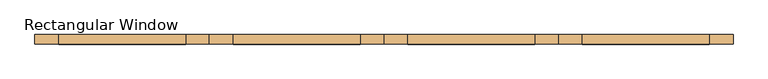
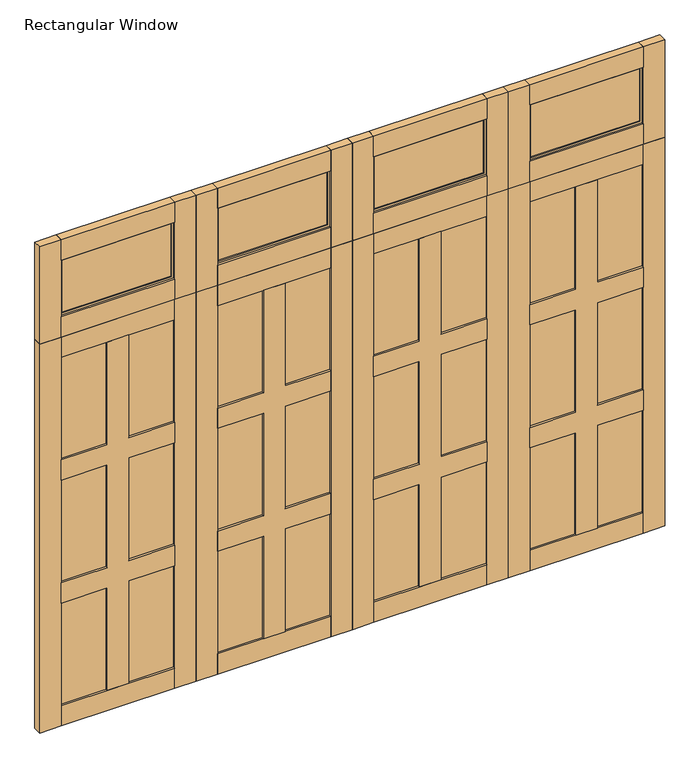
"""IFC4 building model written with IfcOpenShell, lengths in millimetres: door geometry, Rectangular Window."""

import ifcopenshell
import ifcopenshell.guid

model = None  # the IFC model being written
_history = None  # IfcOwnerHistory: only IFC2X3 demands one
_inside = {}  # id of a spatial element -> (the spatial element, [elements in it])
_under = {}  # id of a project, library or spatial element -> (it, [spatial elements below it])
_declared = {}  # id of a project -> (the project, [libraries it declares])
_typed = {}  # id of a type object -> (the type object, [elements of that type])
_made_of = {}  # id of a material, layer set ... -> (it, [elements and type objects made of it])


def new_model(schema):
    """Start an empty IFC model of exactly this schema.

    Asked for "IFC4X3", IfcOpenShell would pick the latest addendum, in which some entities
    have other attributes; the version numbers below select the first issue.
    IFC2X3 requires an IfcOwnerHistory on every rooted entity: one is made here for all.
    """
    global model, _history
    if schema == "IFC4X3":
        model = ifcopenshell.file(schema_version=(4, 3, 0, 0))
    else:
        model = ifcopenshell.file(schema=schema)
    _inside.clear()
    _under.clear()
    _declared.clear()
    _typed.clear()
    _made_of.clear()
    _history = None
    if model.schema == "IFC2X3":
        org = make("IfcOrganization", Name="unknown")
        user = make(
            "IfcPersonAndOrganization",
            ThePerson=make("IfcPerson", FamilyName="unknown"),
            TheOrganization=org,
        )
        app = make(
            "IfcApplication",
            ApplicationDeveloper=org,
            Version="unknown",
            ApplicationFullName="unknown",
            ApplicationIdentifier="unknown",
        )
        _history = make(
            "IfcOwnerHistory",
            OwningUser=user,
            OwningApplication=app,
            ChangeAction="ADDED",
            CreationDate=0,
        )
    return model


def make(cls, **values):
    """One entity of the class cls with the attributes given. An attribute that is None is left unset."""
    return model.create_entity(
        cls, **{name: value for name, value in values.items() if value is not None}
    )


def rooted(cls, **values):
    """An entity with a GlobalId (a new one), such as an element, a storey or a relation."""
    return make(cls, GlobalId=ifcopenshell.guid.new(), OwnerHistory=_history, **values)


def si_unit(unit_type, name, prefix=None):
    """IfcSIUnit, for example si_unit("LENGTHUNIT", "METRE", prefix="MILLI")."""
    return make("IfcSIUnit", UnitType=unit_type, Prefix=prefix, Name=name)


def assignment(units):
    """IfcUnitAssignment: the units of a project."""
    return None if units is None else make("IfcUnitAssignment", Units=units)


def point(xyz):
    """IfcCartesianPoint."""
    return None if xyz is None else make("IfcCartesianPoint", Coordinates=xyz)


def direction(xyz):
    """IfcDirection."""
    return None if xyz is None else make("IfcDirection", DirectionRatios=xyz)


def frame(location, z_axis=None, x_axis=None):
    """IfcAxis2Placement3D, a coordinate frame: its origin and axes. An axis left out is left unset."""
    return make(
        "IfcAxis2Placement3D",
        Location=point(location),
        Axis=direction(z_axis),
        RefDirection=direction(x_axis),
    )


def origin():
    """The frame at (0, 0, 0) with its axes left unset."""
    return frame((0.0, 0.0, 0.0))


def origin_with_axes():
    """The frame at (0, 0, 0) with the z axis (0, 0, 1) and the x axis (1, 0, 0) written out."""
    return frame((0.0, 0.0, 0.0), z_axis=(0.0, 0.0, 1.0), x_axis=(1.0, 0.0, 0.0))


def place(relative_to, where):
    """IfcLocalPlacement: puts the frame where relative to a parent placement (None: the world)."""
    return make(
        "IfcLocalPlacement", PlacementRelTo=relative_to, RelativePlacement=where
    )


def context(
    kind, dimensions, precision=None, world=None, true_north=None, identifier=None
):
    """IfcGeometricRepresentationContext, for example the 3D "Model" context."""
    return make(
        "IfcGeometricRepresentationContext",
        ContextIdentifier=identifier,
        ContextType=kind,
        CoordinateSpaceDimension=dimensions,
        Precision=precision,
        WorldCoordinateSystem=world,
        TrueNorth=true_north,
    )


def project(units=None, contexts=None):
    """IfcProject with its units and contexts."""
    return rooted(
        "IfcProject",
        Name="project",
        RepresentationContexts=contexts,
        UnitsInContext=assignment(units),
    )


def spatial(cls, under=None, at=None, **own):
    """A site, building, storey or space (cls), placed at a placement, below another one or the project."""
    s = rooted(cls, ObjectPlacement=at, **own)
    if under is not None:
        _under.setdefault(under.id(), (under, []))[1].append(s)
    return s


def polyline(points):
    """IfcPolyline through the points."""
    return make("IfcPolyline", Points=[point(p) for p in points])


def outline(outer, holes=None, kind="AREA"):
    """IfcArbitraryClosedProfileDef: a profile drawn as a closed curve; with holes, ...WithVoids."""
    if holes is None:
        return make("IfcArbitraryClosedProfileDef", ProfileType=kind, OuterCurve=outer)
    return make(
        "IfcArbitraryProfileDefWithVoids",
        ProfileType=kind,
        OuterCurve=outer,
        InnerCurves=holes,
    )


def extrude(swept, where, along, depth):
    """IfcExtrudedAreaSolid: the profile swept, set in the frame where, extruded along a direction by depth."""
    return make(
        "IfcExtrudedAreaSolid",
        SweptArea=swept,
        Position=where,
        ExtrudedDirection=direction(along),
        Depth=depth,
    )


def shape(context_of_items, identifier, shape_type, items):
    """IfcShapeRepresentation: the items that make up one representation, for example the "Body"."""
    return make(
        "IfcShapeRepresentation",
        ContextOfItems=context_of_items,
        RepresentationIdentifier=identifier,
        RepresentationType=shape_type,
        Items=items,
    )


def source(mapping_origin, context_of_items, identifier, shape_type, items):
    """IfcRepresentationMap: a shape defined once, which mapped items show again and again."""
    return make(
        "IfcRepresentationMap",
        MappingOrigin=mapping_origin,
        MappedRepresentation=shape(context_of_items, identifier, shape_type, items),
    )


def transform(
    local_origin,
    x_axis=None,
    y_axis=None,
    z_axis=None,
    scale=None,
    scale2=None,
    scale3=None,
    uniform=True,
):
    """IfcCartesianTransformationOperator3D, or its non-uniform kind. x_axis, y_axis, z_axis: its Axis1, 2, 3."""
    if uniform:
        return make(
            "IfcCartesianTransformationOperator3D",
            Axis1=direction(x_axis),
            Axis2=direction(y_axis),
            LocalOrigin=point(local_origin),
            Scale=scale,
            Axis3=direction(z_axis),
        )
    return make(
        "IfcCartesianTransformationOperator3DnonUniform",
        Axis1=direction(x_axis),
        Axis2=direction(y_axis),
        LocalOrigin=point(local_origin),
        Scale=scale,
        Axis3=direction(z_axis),
        Scale2=scale2,
        Scale3=scale3,
    )


def mapped(mapping_source, mapping_target):
    """IfcMappedItem: shows the shape of a source again, moved by a transform."""
    return make(
        "IfcMappedItem", MappingSource=mapping_source, MappingTarget=mapping_target
    )


def made_of(thing, what):
    """Note that an element or type object is made of a material, layer set ...; save() writes the relation."""
    if what is not None:
        _made_of.setdefault(what.id(), (what, []))[1].append(thing)
    return thing


def element(
    cls,
    number,
    at=None,
    inside=None,
    cuts=None,
    type_object=None,
    material=None,
    context=None,
    identifier="Body",
    shape_type=None,
    held_by="IfcProductDefinitionShape",
    body=None,
    shapes=None,
    **own,
):
    """One element of the class cls, such as IfcWall. Its Tag is "e" and its number.

    at: its placement. inside: the storey or other place that contains it. cuts: it is an
    opening in that element (IfcRelVoidsElement). A single representation is given by context,
    identifier, shape_type and body (its items); several are given by shapes. held_by: the class
    of the entity that holds the representations. save() writes the other relations.
    """
    e = rooted(cls, Tag="e%d" % number, ObjectPlacement=at, **own)
    if body is not None:
        shapes = [shape(context, identifier, shape_type, body)]
    if shapes is not None:
        e.Representation = make(held_by, Representations=shapes)
    if inside is not None:
        _inside.setdefault(inside.id(), (inside, []))[1].append(e)
    if cuts is not None:
        rooted(
            "IfcRelVoidsElement", RelatingBuildingElement=cuts, RelatedOpeningElement=e
        )
    if type_object is not None:
        _typed.setdefault(type_object.id(), (type_object, []))[1].append(e)
    return made_of(e, material)


def aggregate(whole, parts):
    """IfcRelAggregates: a whole, such as a stair, and the parts it consists of."""
    return rooted("IfcRelAggregates", RelatingObject=whole, RelatedObjects=parts)


def save(model, path):
    """Write the relations noted so far, then the file.

    IfcRelAggregates (storeys below a building ...), IfcRelContainedInSpatialStructure (elements
    in a storey), IfcRelDefinesByType, IfcRelAssociatesMaterial and IfcRelDeclares: one each for
    every whole, place, type object, material and project.
    """
    for whole, parts in _under.values():
        aggregate(whole, parts)
    for where, things in _inside.values():
        rooted(
            "IfcRelContainedInSpatialStructure",
            RelatedElements=things,
            RelatingStructure=where,
        )
    for kind, things in _typed.values():
        rooted("IfcRelDefinesByType", RelatedObjects=things, RelatingType=kind)
    for what, things in _made_of.values():
        rooted("IfcRelAssociatesMaterial", RelatedObjects=things, RelatingMaterial=what)
    for by, libraries in _declared.values():
        rooted("IfcRelDeclares", RelatingContext=by, RelatedDefinitions=libraries)
    model.write(path)


def rectangular_window_a3b9e616(model_context):
    return source(origin(), model_context, "Body", "SweptSolid", [
        extrude(outline(polyline([(139.7, -6.35), (139.7, 6.35), (787.4, 6.35), (787.4, -6.35), (139.7, -6.35)])), frame((0.0, 0.0, 2578.1), z_axis=(0.0, 0.0, 1.0), x_axis=(1.0, 0.0, 0.0)), (0.0, 0.0, 1.0), 330.2),
        extrude(outline(polyline([(1066.8, -6.35), (1066.8, 6.35), (1714.5, 6.35), (1714.5, -6.35), (1066.8, -6.35)])), frame((0.0, 0.0, 2578.1), z_axis=(0.0, 0.0, 1.0), x_axis=(1.0, 0.0, 0.0)), (0.0, 0.0, 1.0), 330.2),
        extrude(outline(polyline([(2921.0, 1727.2), (2921.0, 1054.1), (2565.4, 1054.1), (2565.4, 1727.2), (2921.0, 1727.2)]), holes=[polyline([(2578.1, 1714.5), (2578.1, 1066.8), (2908.3, 1066.8), (2908.3, 1714.5), (2578.1, 1714.5)])]), frame((0.0, -12.7, 0.0), z_axis=(0.0, 1.0, 0.0), x_axis=(0.0, 0.0, 1.0)), (0.0, 0.0, 1.0), 25.4),
        extrude(outline(polyline([(2921.0, 800.1), (2921.0, 127.0), (2565.4, 127.0), (2565.4, 800.1), (2921.0, 800.1)]), holes=[polyline([(2578.1, 139.7), (2908.3, 139.7), (2908.3, 787.4), (2578.1, 787.4), (2578.1, 139.7)])]), frame((0.0, -12.7, 0.0), z_axis=(0.0, 1.0, 0.0), x_axis=(0.0, 0.0, 1.0)), (0.0, 0.0, 1.0), 25.4),
        extrude(outline(polyline([(1727.2, 25.4), (1727.2, -25.4), (1054.1, -25.4), (1054.1, 25.4), (1727.2, 25.4)])), frame((0.0, 0.0, 2921.0), z_axis=(0.0, 0.0, 1.0), x_axis=(1.0, 0.0, 0.0)), (0.0, 0.0, 1.0), 127.0),
        extrude(outline(polyline([(1727.2, 25.4), (1727.2, -25.4), (1054.1, -25.4), (1054.1, 25.4), (1727.2, 25.4)])), frame((0.0, 0.0, 2438.4), z_axis=(0.0, 0.0, 1.0), x_axis=(1.0, 0.0, 0.0)), (0.0, 0.0, 1.0), 127.0),
        extrude(outline(polyline([(800.1, 25.4), (800.1, -25.4), (127.0, -25.4), (127.0, 25.4), (800.1, 25.4)])), frame((0.0, 0.0, 2921.0), z_axis=(0.0, 0.0, 1.0), x_axis=(1.0, 0.0, 0.0)), (0.0, 0.0, 1.0), 127.0),
        extrude(outline(polyline([(800.1, 25.4), (800.1, -25.4), (127.0, -25.4), (127.0, 25.4), (800.1, 25.4)])), frame((0.0, 0.0, 2438.4), z_axis=(0.0, 0.0, 1.0), x_axis=(1.0, 0.0, 0.0)), (0.0, 0.0, 1.0), 127.0),
        extrude(outline(polyline([(1054.1, 25.4), (1054.1, -25.4), (927.1, -25.4), (927.1, 25.4), (1054.1, 25.4)])), frame((0.0, 0.0, 2438.4), z_axis=(0.0, 0.0, 1.0), x_axis=(1.0, 0.0, 0.0)), (0.0, 0.0, 1.0), 609.6),
        extrude(outline(polyline([(1854.2, 25.4), (1854.2, -25.4), (1727.2, -25.4), (1727.2, 25.4), (1854.2, 25.4)])), frame((0.0, 0.0, 2438.4), z_axis=(0.0, 0.0, 1.0), x_axis=(1.0, 0.0, 0.0)), (0.0, 0.0, 1.0), 609.6),
        extrude(outline(polyline([(127.0, 25.4), (127.0, -25.4), (0.0, -25.4), (0.0, 25.4), (127.0, 25.4)])), frame((0.0, 0.0, 2438.4), z_axis=(0.0, 0.0, 1.0), x_axis=(1.0, 0.0, 0.0)), (0.0, 0.0, 1.0), 609.6),
        extrude(outline(polyline([(927.1, 25.4), (927.1, -25.4), (800.1, -25.4), (800.1, 25.4), (927.1, 25.4)])), frame((0.0, 0.0, 2438.4), z_axis=(0.0, 0.0, 1.0), x_axis=(1.0, 0.0, 0.0)), (0.0, 0.0, 1.0), 609.6),
        extrude(outline(polyline([(-1714.5, -6.35), (-1714.5, 6.35), (-1066.8, 6.35), (-1066.8, -6.35), (-1714.5, -6.35)])), frame((0.0, 0.0, 2578.1), z_axis=(0.0, 0.0, 1.0), x_axis=(1.0, 0.0, 0.0)), (0.0, 0.0, 1.0), 330.2),
        extrude(outline(polyline([(-787.4, -6.35), (-787.4, 6.35), (-139.7, 6.35), (-139.7, -6.35), (-787.4, -6.35)])), frame((0.0, 0.0, 2578.1), z_axis=(0.0, 0.0, 1.0), x_axis=(1.0, 0.0, 0.0)), (0.0, 0.0, 1.0), 330.2),
        extrude(outline(polyline([(2921.0, -127.0), (2921.0, -800.1), (2565.4, -800.1), (2565.4, -127.0), (2921.0, -127.0)]), holes=[polyline([(2578.1, -139.7), (2578.1, -787.4), (2908.3, -787.4), (2908.3, -139.7), (2578.1, -139.7)])]), frame((0.0, -12.7, 0.0), z_axis=(0.0, 1.0, 0.0), x_axis=(0.0, 0.0, 1.0)), (0.0, 0.0, 1.0), 25.4),
        extrude(outline(polyline([(2921.0, -1054.1), (2921.0, -1727.2), (2565.4, -1727.2), (2565.4, -1054.1), (2921.0, -1054.1)]), holes=[polyline([(2578.1, -1714.5), (2908.3, -1714.5), (2908.3, -1066.8), (2578.1, -1066.8), (2578.1, -1714.5)])]), frame((0.0, -12.7, 0.0), z_axis=(0.0, 1.0, 0.0), x_axis=(0.0, 0.0, 1.0)), (0.0, 0.0, 1.0), 25.4),
        extrude(outline(polyline([(-127.0, 25.4), (-127.0, -25.4), (-800.1, -25.4), (-800.1, 25.4), (-127.0, 25.4)])), frame((0.0, 0.0, 2921.0), z_axis=(0.0, 0.0, 1.0), x_axis=(1.0, 0.0, 0.0)), (0.0, 0.0, 1.0), 127.0),
        extrude(outline(polyline([(-127.0, 25.4), (-127.0, -25.4), (-800.1, -25.4), (-800.1, 25.4), (-127.0, 25.4)])), frame((0.0, 0.0, 2438.4), z_axis=(0.0, 0.0, 1.0), x_axis=(1.0, 0.0, 0.0)), (0.0, 0.0, 1.0), 127.0),
        extrude(outline(polyline([(-1054.1, 25.4), (-1054.1, -25.4), (-1727.2, -25.4), (-1727.2, 25.4), (-1054.1, 25.4)])), frame((0.0, 0.0, 2921.0), z_axis=(0.0, 0.0, 1.0), x_axis=(1.0, 0.0, 0.0)), (0.0, 0.0, 1.0), 127.0),
        extrude(outline(polyline([(-1054.1, 25.4), (-1054.1, -25.4), (-1727.2, -25.4), (-1727.2, 25.4), (-1054.1, 25.4)])), frame((0.0, 0.0, 2438.4), z_axis=(0.0, 0.0, 1.0), x_axis=(1.0, 0.0, 0.0)), (0.0, 0.0, 1.0), 127.0),
        extrude(outline(polyline([(-800.1, 25.4), (-800.1, -25.4), (-927.1, -25.4), (-927.1, 25.4), (-800.1, 25.4)])), frame((0.0, 0.0, 2438.4), z_axis=(0.0, 0.0, 1.0), x_axis=(1.0, 0.0, 0.0)), (0.0, 0.0, 1.0), 609.6),
        extrude(outline(polyline([(0.0, 25.4), (0.0, -25.4), (-127.0, -25.4), (-127.0, 25.4), (0.0, 25.4)])), frame((0.0, 0.0, 2438.4), z_axis=(0.0, 0.0, 1.0), x_axis=(1.0, 0.0, 0.0)), (0.0, 0.0, 1.0), 609.6),
        extrude(outline(polyline([(-1727.2, 25.4), (-1727.2, -25.4), (-1854.2, -25.4), (-1854.2, 25.4), (-1727.2, 25.4)])), frame((0.0, 0.0, 2438.4), z_axis=(0.0, 0.0, 1.0), x_axis=(1.0, 0.0, 0.0)), (0.0, 0.0, 1.0), 609.6),
        extrude(outline(polyline([(-927.1, 25.4), (-927.1, -25.4), (-1054.1, -25.4), (-1054.1, 25.4), (-927.1, 25.4)])), frame((0.0, 0.0, 2438.4), z_axis=(0.0, 0.0, 1.0), x_axis=(1.0, 0.0, 0.0)), (0.0, 0.0, 1.0), 609.6),
        extrude(outline(polyline([(1667.9333333, 1054.1), (1540.9333333, 1054.1), (1540.9333333, 1327.15), (897.4666667, 1327.15), (897.4666667, 1054.1), (770.4666667, 1054.1), (770.4666667, 1327.15), (127.0, 1327.15), (127.0, 1454.15), (770.4666667, 1454.15), (770.4666667, 1727.2), (897.4666667, 1727.2), (897.4666667, 1454.15), (1540.9333333, 1454.15), (1540.9333333, 1727.2), (1667.9333333, 1727.2), (1667.9333333, 1454.15), (2311.4, 1454.15), (2311.4, 1327.15), (1667.9333333, 1327.15), (1667.9333333, 1054.1)])), frame((0.0, -25.4, 0.0), z_axis=(0.0, 1.0, 0.0), x_axis=(0.0, 0.0, 1.0)), (0.0, 0.0, 1.0), 50.8),
        extrude(outline(polyline([(1054.1, -12.7), (1054.1, 12.7), (1727.2, 12.7), (1727.2, -12.7), (1054.1, -12.7)])), frame((0.0, 0.0, 127.0), z_axis=(0.0, 0.0, 1.0), x_axis=(1.0, 0.0, 0.0)), (0.0, 0.0, 1.0), 2184.4),
        extrude(outline(polyline([(1727.2, 25.4), (1854.2, 25.4), (1854.2, -25.4), (1727.2, -25.4), (1727.2, 25.4)])), origin_with_axes(), (0.0, 0.0, 1.0), 2438.4),
        extrude(outline(polyline([(927.1, 25.4), (1054.1, 25.4), (1054.1, -25.4), (927.1, -25.4), (927.1, 25.4)])), origin_with_axes(), (0.0, 0.0, 1.0), 2438.4),
        extrude(outline(polyline([(1054.1, 25.4), (1727.2, 25.4), (1727.2, -25.4), (1054.1, -25.4), (1054.1, 25.4)])), frame((0.0, 0.0, 2311.4), z_axis=(0.0, 0.0, 1.0), x_axis=(1.0, 0.0, 0.0)), (0.0, 0.0, 1.0), 127.0),
        extrude(outline(polyline([(1054.1, 25.4), (1727.2, 25.4), (1727.2, -25.4), (1054.1, -25.4), (1054.1, 25.4)])), origin_with_axes(), (0.0, 0.0, 1.0), 127.0),
        extrude(outline(polyline([(1667.9333333, 800.1), (1667.9333333, 527.05), (2311.4, 527.05), (2311.4, 400.05), (1667.9333333, 400.05), (1667.9333333, 127.0), (1540.9333333, 127.0), (1540.9333333, 400.05), (897.4666667, 400.05), (897.4666667, 127.0), (770.4666667, 127.0), (770.4666667, 400.05), (127.0, 400.05), (127.0, 527.05), (770.4666667, 527.05), (770.4666667, 800.1), (897.4666667, 800.1), (897.4666667, 527.05), (1540.9333333, 527.05), (1540.9333333, 800.1), (1667.9333333, 800.1)])), frame((0.0, -25.4, 0.0), z_axis=(0.0, 1.0, 0.0), x_axis=(0.0, 0.0, 1.0)), (0.0, 0.0, 1.0), 50.8),
        extrude(outline(polyline([(800.1, -12.7), (127.0, -12.7), (127.0, 12.7), (800.1, 12.7), (800.1, -12.7)])), frame((0.0, 0.0, 127.0), z_axis=(0.0, 0.0, 1.0), x_axis=(1.0, 0.0, 0.0)), (0.0, 0.0, 1.0), 2184.4),
        extrude(outline(polyline([(127.0, 25.4), (127.0, -25.4), (0.0, -25.4), (0.0, 25.4), (127.0, 25.4)])), origin_with_axes(), (0.0, 0.0, 1.0), 2438.4),
        extrude(outline(polyline([(927.1, 25.4), (927.1, -25.4), (800.1, -25.4), (800.1, 25.4), (927.1, 25.4)])), origin_with_axes(), (0.0, 0.0, 1.0), 2438.4),
        extrude(outline(polyline([(800.1, 25.4), (800.1, -25.4), (127.0, -25.4), (127.0, 25.4), (800.1, 25.4)])), frame((0.0, 0.0, 2311.4), z_axis=(0.0, 0.0, 1.0), x_axis=(1.0, 0.0, 0.0)), (0.0, 0.0, 1.0), 127.0),
        extrude(outline(polyline([(800.1, 25.4), (800.1, -25.4), (127.0, -25.4), (127.0, 25.4), (800.1, 25.4)])), origin_with_axes(), (0.0, 0.0, 1.0), 127.0),
        extrude(outline(polyline([(1667.9333333, -800.1), (1540.9333333, -800.1), (1540.9333333, -527.05), (897.4666667, -527.05), (897.4666667, -800.1), (770.4666667, -800.1), (770.4666667, -527.05), (127.0, -527.05), (127.0, -400.05), (770.4666667, -400.05), (770.4666667, -127.0), (897.4666667, -127.0), (897.4666667, -400.05), (1540.9333333, -400.05), (1540.9333333, -127.0), (1667.9333333, -127.0), (1667.9333333, -400.05), (2311.4, -400.05), (2311.4, -527.05), (1667.9333333, -527.05), (1667.9333333, -800.1)])), frame((0.0, -25.4, 0.0), z_axis=(0.0, 1.0, 0.0), x_axis=(0.0, 0.0, 1.0)), (0.0, 0.0, 1.0), 50.8),
        extrude(outline(polyline([(-800.1, -12.7), (-800.1, 12.7), (-127.0, 12.7), (-127.0, -12.7), (-800.1, -12.7)])), frame((0.0, 0.0, 127.0), z_axis=(0.0, 0.0, 1.0), x_axis=(1.0, 0.0, 0.0)), (0.0, 0.0, 1.0), 2184.4),
        extrude(outline(polyline([(-127.0, 25.4), (0.0, 25.4), (0.0, -25.4), (-127.0, -25.4), (-127.0, 25.4)])), origin_with_axes(), (0.0, 0.0, 1.0), 2438.4),
        extrude(outline(polyline([(-927.1, 25.4), (-800.1, 25.4), (-800.1, -25.4), (-927.1, -25.4), (-927.1, 25.4)])), origin_with_axes(), (0.0, 0.0, 1.0), 2438.4),
        extrude(outline(polyline([(-800.1, 25.4), (-127.0, 25.4), (-127.0, -25.4), (-800.1, -25.4), (-800.1, 25.4)])), frame((0.0, 0.0, 2311.4), z_axis=(0.0, 0.0, 1.0), x_axis=(1.0, 0.0, 0.0)), (0.0, 0.0, 1.0), 127.0),
        extrude(outline(polyline([(-800.1, 25.4), (-127.0, 25.4), (-127.0, -25.4), (-800.1, -25.4), (-800.1, 25.4)])), origin_with_axes(), (0.0, 0.0, 1.0), 127.0),
        extrude(outline(polyline([(1667.9333333, -1054.1), (1667.9333333, -1327.15), (2311.4, -1327.15), (2311.4, -1454.15), (1667.9333333, -1454.15), (1667.9333333, -1727.2), (1540.9333333, -1727.2), (1540.9333333, -1454.15), (897.4666667, -1454.15), (897.4666667, -1727.2), (770.4666667, -1727.2), (770.4666667, -1454.15), (127.0, -1454.15), (127.0, -1327.15), (770.4666667, -1327.15), (770.4666667, -1054.1), (897.4666667, -1054.1), (897.4666667, -1327.15), (1540.9333333, -1327.15), (1540.9333333, -1054.1), (1667.9333333, -1054.1)])), frame((0.0, -25.4, 0.0), z_axis=(0.0, 1.0, 0.0), x_axis=(0.0, 0.0, 1.0)), (0.0, 0.0, 1.0), 50.8),
        extrude(outline(polyline([(-1054.1, -12.7), (-1727.2, -12.7), (-1727.2, 12.7), (-1054.1, 12.7), (-1054.1, -12.7)])), frame((0.0, 0.0, 127.0), z_axis=(0.0, 0.0, 1.0), x_axis=(1.0, 0.0, 0.0)), (0.0, 0.0, 1.0), 2184.4),
        extrude(outline(polyline([(-1727.2, 25.4), (-1727.2, -25.4), (-1854.2, -25.4), (-1854.2, 25.4), (-1727.2, 25.4)])), origin_with_axes(), (0.0, 0.0, 1.0), 2438.4),
        extrude(outline(polyline([(-927.1, 25.4), (-927.1, -25.4), (-1054.1, -25.4), (-1054.1, 25.4), (-927.1, 25.4)])), origin_with_axes(), (0.0, 0.0, 1.0), 2438.4),
        extrude(outline(polyline([(-1054.1, 25.4), (-1054.1, -25.4), (-1727.2, -25.4), (-1727.2, 25.4), (-1054.1, 25.4)])), frame((0.0, 0.0, 2311.4), z_axis=(0.0, 0.0, 1.0), x_axis=(1.0, 0.0, 0.0)), (0.0, 0.0, 1.0), 127.0),
        extrude(outline(polyline([(-1054.1, 25.4), (-1054.1, -25.4), (-1727.2, -25.4), (-1727.2, 25.4), (-1054.1, 25.4)])), origin_with_axes(), (0.0, 0.0, 1.0), 127.0),
    ])


if __name__ == "__main__":
    model = new_model("IFC4")
    model_context = context("Model", 3, world=origin())
    ifc_project = project(units=[si_unit("LENGTHUNIT", "METRE", prefix="MILLI")], contexts=[model_context])
    site = spatial("IfcSite", under=ifc_project)
    building = spatial("IfcBuilding", under=site)
    placement = place(None, origin())
    rectangular_window_shape = rectangular_window_a3b9e616(model_context)
    element("IfcDoor", 1, ObjectType="Rectangular Window", at=placement, inside=building, context=model_context, shape_type="MappedRepresentation", body=[
        mapped(rectangular_window_shape, transform((0.0, 0.0, 0.0), x_axis=(1.0, 0.0, 0.0), y_axis=(0.0, 1.0, 0.0), z_axis=(0.0, 0.0, 1.0))),
    ])
    save(model, "model.ifc")
